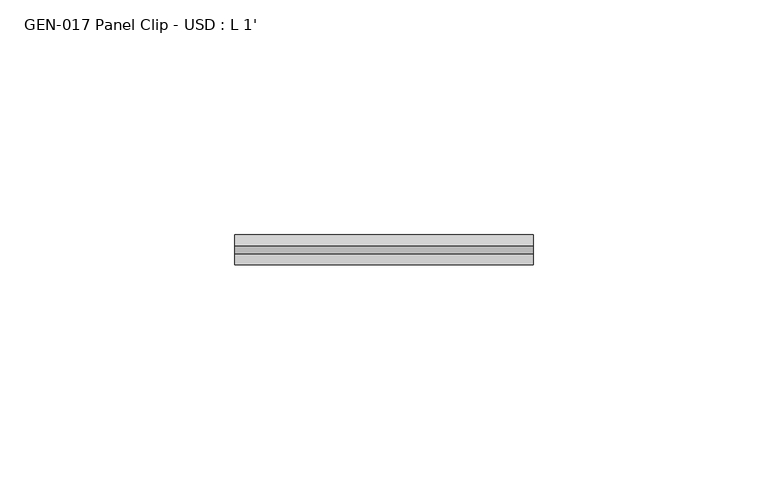
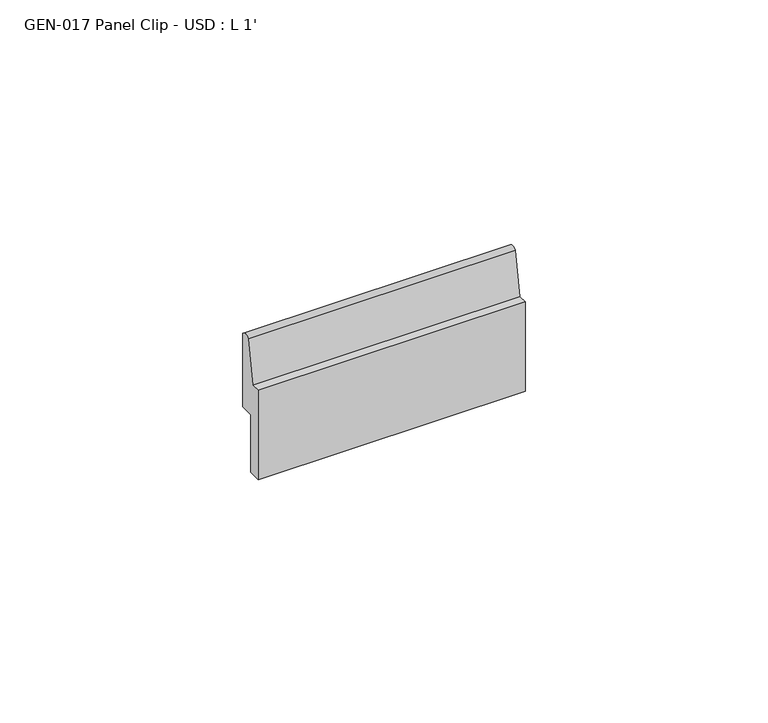
"""IFC4 building model written with IfcOpenShell, lengths in millimetres: proxy geometry, GEN-017 Panel Clip - USD : L 1'."""

from ifc_helpers import new_model, si_unit, point, frame, frame_2d, origin, place, context, project, spatial, polyline, circle_curve, trimmed, segment, composite_curve, outline, extrude, source, transform, mapped, element, save


def gen_017_panel_clip_usd_l_1_4de7f5c3(model_context):
    return source(origin(), model_context, "Body", "SweptSolid", [
        extrude(outline(composite_curve([segment(trimmed(circle_curve(frame_2d((1.9810741, 15.4013058)), 1.6162393), [point((0.8523814, 16.5581473))], [point((3.1737506, 16.4920635))], False, "CARTESIAN"), True, "CONTINUOUS"), segment(polyline([(3.1737506, 16.4920635), (3.1737506, -2.0140635), (-0.0647494, -2.0140635), (-0.0647494, -16.4920635), (-3.1737506, -16.4920635), (-3.1737506, 5.9820604), (-0.9585924, 5.9820604), (0.8523814, 16.5581473)]), True, "CONTINUOUS")], self_intersect=False)), frame((0.0, 0.0, 0.0), z_axis=(1.0, 0.0, 0.0), x_axis=(0.0, 1.0, 0.0)), (0.0, 0.0, 1.0), 63.5),
    ])


if __name__ == "__main__":
    model = new_model("IFC4")
    model_context = context("Model", 3, world=origin())
    ifc_project = project(units=[si_unit("LENGTHUNIT", "METRE", prefix="MILLI")], contexts=[model_context])
    site = spatial("IfcSite", under=ifc_project)
    building = spatial("IfcBuilding", under=site)
    placement = place(None, origin())
    gen_017_panel_clip_usd_l_1_shape = gen_017_panel_clip_usd_l_1_4de7f5c3(model_context)
    element("IfcBuildingElementProxy", 1, Name="GEN-017 Panel Clip - USD : L 1'", ObjectType="GEN-017 Panel Clip - USD : L 1'", at=placement, inside=building, context=model_context, shape_type="MappedRepresentation", body=[
        mapped(gen_017_panel_clip_usd_l_1_shape, transform((0.0, 0.0, 0.0), x_axis=(1.0, 0.0, 0.0), y_axis=(0.0, 1.0, 0.0), z_axis=(0.0, 0.0, 1.0))),
    ])
    save(model, "model.ifc")
